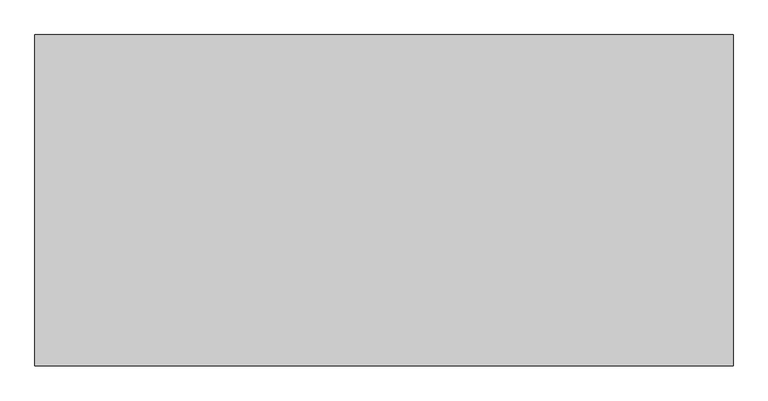
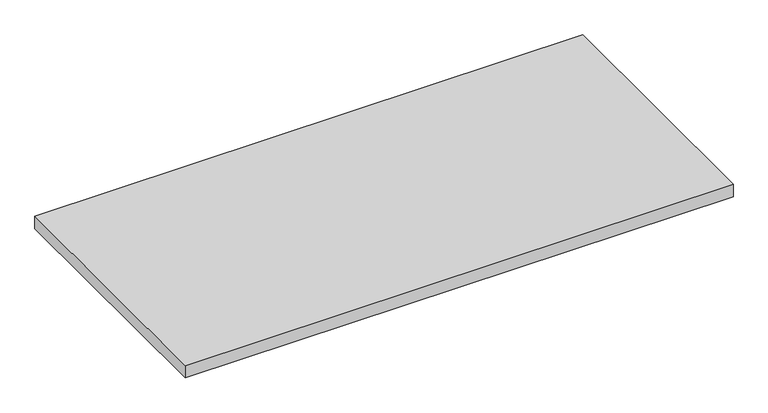
"""IFC4 building model written with IfcOpenShell, lengths in millimetres: furniture geometry."""

from ifc_helpers import new_model, si_unit, frame, origin, place, context, project, spatial, polyline, outline, extrude, source, transform, mapped, element, save


def furniture_cc457aa8(model_context):
    return source(origin(), model_context, "Body", "SweptSolid", [
        extrude(outline(polyline([(1065.1998, -548.7539634), (1065.1998, -1053.7059634), (1.6002, -1053.7059634), (1.6002, -548.7539634), (1065.1998, -548.7539634)])), frame((0.0, 0.0, 565.15), z_axis=(0.0, 0.0, 1.0), x_axis=(1.0, 0.0, 0.0)), (0.0, 0.0, 1.0), 25.4),
    ])


if __name__ == "__main__":
    model = new_model("IFC4")
    model_context = context("Model", 3, world=origin())
    ifc_project = project(units=[si_unit("LENGTHUNIT", "METRE", prefix="MILLI")], contexts=[model_context])
    site = spatial("IfcSite", under=ifc_project)
    building = spatial("IfcBuilding", under=site)
    placement = place(None, origin())
    furniture_shape = furniture_cc457aa8(model_context)
    element("IfcFurniture", 1, at=placement, inside=building, context=model_context, shape_type="MappedRepresentation", body=[
        mapped(furniture_shape, transform((0.0, 0.0, 0.0), x_axis=(1.0, 0.0, 0.0), y_axis=(0.0, 1.0, 0.0), z_axis=(0.0, 0.0, 1.0))),
    ])
    save(model, "model.ifc")
